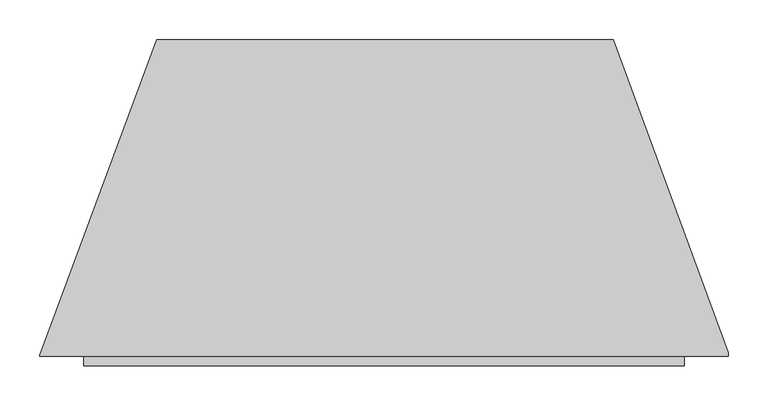
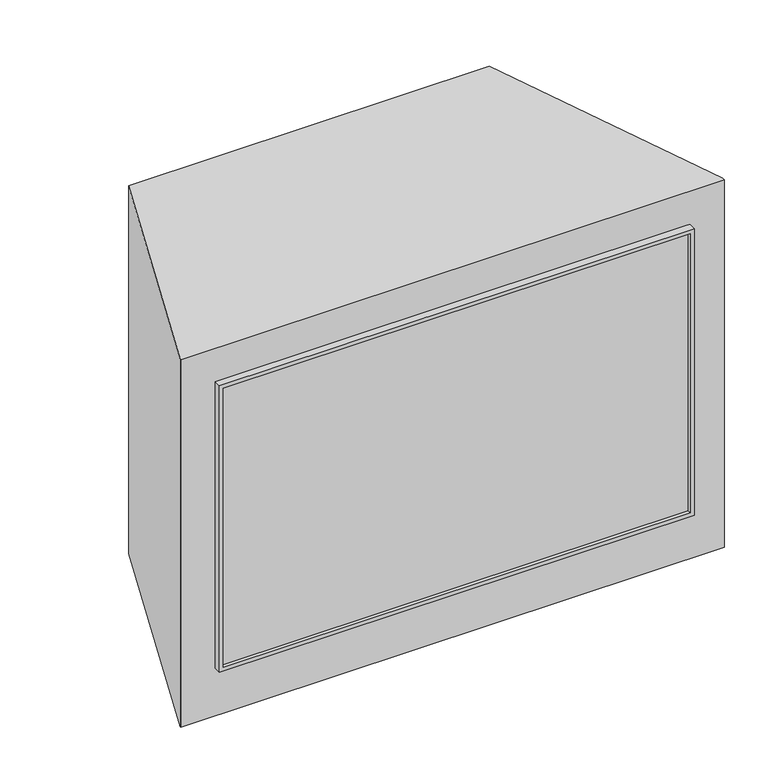
"""IFC4 building model written with IfcOpenShell, lengths in millimetres: proxy geometry."""

import ifcopenshell
import ifcopenshell.guid

model = None  # the IFC model being written
_history = None  # IfcOwnerHistory: only IFC2X3 demands one
_inside = {}  # id of a spatial element -> (the spatial element, [elements in it])
_under = {}  # id of a project, library or spatial element -> (it, [spatial elements below it])
_declared = {}  # id of a project -> (the project, [libraries it declares])
_typed = {}  # id of a type object -> (the type object, [elements of that type])
_made_of = {}  # id of a material, layer set ... -> (it, [elements and type objects made of it])


def new_model(schema):
    """Start an empty IFC model of exactly this schema.

    Asked for "IFC4X3", IfcOpenShell would pick the latest addendum, in which some entities
    have other attributes; the version numbers below select the first issue.
    IFC2X3 requires an IfcOwnerHistory on every rooted entity: one is made here for all.
    """
    global model, _history
    if schema == "IFC4X3":
        model = ifcopenshell.file(schema_version=(4, 3, 0, 0))
    else:
        model = ifcopenshell.file(schema=schema)
    _inside.clear()
    _under.clear()
    _declared.clear()
    _typed.clear()
    _made_of.clear()
    _history = None
    if model.schema == "IFC2X3":
        org = make("IfcOrganization", Name="unknown")
        user = make(
            "IfcPersonAndOrganization",
            ThePerson=make("IfcPerson", FamilyName="unknown"),
            TheOrganization=org,
        )
        app = make(
            "IfcApplication",
            ApplicationDeveloper=org,
            Version="unknown",
            ApplicationFullName="unknown",
            ApplicationIdentifier="unknown",
        )
        _history = make(
            "IfcOwnerHistory",
            OwningUser=user,
            OwningApplication=app,
            ChangeAction="ADDED",
            CreationDate=0,
        )
    return model


def make(cls, **values):
    """One entity of the class cls with the attributes given. An attribute that is None is left unset."""
    return model.create_entity(
        cls, **{name: value for name, value in values.items() if value is not None}
    )


def rooted(cls, **values):
    """An entity with a GlobalId (a new one), such as an element, a storey or a relation."""
    return make(cls, GlobalId=ifcopenshell.guid.new(), OwnerHistory=_history, **values)


def si_unit(unit_type, name, prefix=None):
    """IfcSIUnit, for example si_unit("LENGTHUNIT", "METRE", prefix="MILLI")."""
    return make("IfcSIUnit", UnitType=unit_type, Prefix=prefix, Name=name)


def assignment(units):
    """IfcUnitAssignment: the units of a project."""
    return None if units is None else make("IfcUnitAssignment", Units=units)


def point(xyz):
    """IfcCartesianPoint."""
    return None if xyz is None else make("IfcCartesianPoint", Coordinates=xyz)


def direction(xyz):
    """IfcDirection."""
    return None if xyz is None else make("IfcDirection", DirectionRatios=xyz)


def frame(location, z_axis=None, x_axis=None):
    """IfcAxis2Placement3D, a coordinate frame: its origin and axes. An axis left out is left unset."""
    return make(
        "IfcAxis2Placement3D",
        Location=point(location),
        Axis=direction(z_axis),
        RefDirection=direction(x_axis),
    )


def origin():
    """The frame at (0, 0, 0) with its axes left unset."""
    return frame((0.0, 0.0, 0.0))


def origin_with_axes():
    """The frame at (0, 0, 0) with the z axis (0, 0, 1) and the x axis (1, 0, 0) written out."""
    return frame((0.0, 0.0, 0.0), z_axis=(0.0, 0.0, 1.0), x_axis=(1.0, 0.0, 0.0))


def place(relative_to, where):
    """IfcLocalPlacement: puts the frame where relative to a parent placement (None: the world)."""
    return make(
        "IfcLocalPlacement", PlacementRelTo=relative_to, RelativePlacement=where
    )


def context(
    kind, dimensions, precision=None, world=None, true_north=None, identifier=None
):
    """IfcGeometricRepresentationContext, for example the 3D "Model" context."""
    return make(
        "IfcGeometricRepresentationContext",
        ContextIdentifier=identifier,
        ContextType=kind,
        CoordinateSpaceDimension=dimensions,
        Precision=precision,
        WorldCoordinateSystem=world,
        TrueNorth=true_north,
    )


def project(units=None, contexts=None):
    """IfcProject with its units and contexts."""
    return rooted(
        "IfcProject",
        Name="project",
        RepresentationContexts=contexts,
        UnitsInContext=assignment(units),
    )


def spatial(cls, under=None, at=None, **own):
    """A site, building, storey or space (cls), placed at a placement, below another one or the project."""
    s = rooted(cls, ObjectPlacement=at, **own)
    if under is not None:
        _under.setdefault(under.id(), (under, []))[1].append(s)
    return s


def polyline(points):
    """IfcPolyline through the points."""
    return make("IfcPolyline", Points=[point(p) for p in points])


def outline(outer, holes=None, kind="AREA"):
    """IfcArbitraryClosedProfileDef: a profile drawn as a closed curve; with holes, ...WithVoids."""
    if holes is None:
        return make("IfcArbitraryClosedProfileDef", ProfileType=kind, OuterCurve=outer)
    return make(
        "IfcArbitraryProfileDefWithVoids",
        ProfileType=kind,
        OuterCurve=outer,
        InnerCurves=holes,
    )


def extrude(swept, where, along, depth):
    """IfcExtrudedAreaSolid: the profile swept, set in the frame where, extruded along a direction by depth."""
    return make(
        "IfcExtrudedAreaSolid",
        SweptArea=swept,
        Position=where,
        ExtrudedDirection=direction(along),
        Depth=depth,
    )


def faces_of(points, faces, orient=None, outer=None):
    """IfcFace entities. A face is a list of loops; a loop is a list of indices into points, from 0.

    orient and outer hold one flag for each loop. By default every Orientation is true, the
    first loop of a face is its IfcFaceOuterBound and the others are IfcFaceBound.
    """
    made = []
    for i, loops in enumerate(faces):
        bounds = []
        for j, loop in enumerate(loops):
            is_outer = j == 0 if outer is None else outer[i][j]
            bounds.append(
                make(
                    "IfcFaceOuterBound" if is_outer else "IfcFaceBound",
                    Bound=make("IfcPolyLoop", Polygon=[points[k] for k in loop]),
                    Orientation=True if orient is None else orient[i][j],
                )
            )
        made.append(make("IfcFace", Bounds=bounds))
    return made


def faceted_brep(points, faces, orient=None, outer=None, voids=None):
    """IfcFacetedBrep: a solid bounded by flat faces; with voids (closed shells), ...WithVoids."""
    shared = [point(p) for p in points]
    hull = make("IfcClosedShell", CfsFaces=faces_of(shared, faces, orient, outer))
    if voids is None:
        return make("IfcFacetedBrep", Outer=hull)
    return make(
        "IfcFacetedBrepWithVoids",
        Outer=hull,
        Voids=[
            make(cls, CfsFaces=faces_of(shared, fs, o, b)) for cls, fs, o, b in voids
        ],
    )


def shape(context_of_items, identifier, shape_type, items):
    """IfcShapeRepresentation: the items that make up one representation, for example the "Body"."""
    return make(
        "IfcShapeRepresentation",
        ContextOfItems=context_of_items,
        RepresentationIdentifier=identifier,
        RepresentationType=shape_type,
        Items=items,
    )


def source(mapping_origin, context_of_items, identifier, shape_type, items):
    """IfcRepresentationMap: a shape defined once, which mapped items show again and again."""
    return make(
        "IfcRepresentationMap",
        MappingOrigin=mapping_origin,
        MappedRepresentation=shape(context_of_items, identifier, shape_type, items),
    )


def transform(
    local_origin,
    x_axis=None,
    y_axis=None,
    z_axis=None,
    scale=None,
    scale2=None,
    scale3=None,
    uniform=True,
):
    """IfcCartesianTransformationOperator3D, or its non-uniform kind. x_axis, y_axis, z_axis: its Axis1, 2, 3."""
    if uniform:
        return make(
            "IfcCartesianTransformationOperator3D",
            Axis1=direction(x_axis),
            Axis2=direction(y_axis),
            LocalOrigin=point(local_origin),
            Scale=scale,
            Axis3=direction(z_axis),
        )
    return make(
        "IfcCartesianTransformationOperator3DnonUniform",
        Axis1=direction(x_axis),
        Axis2=direction(y_axis),
        LocalOrigin=point(local_origin),
        Scale=scale,
        Axis3=direction(z_axis),
        Scale2=scale2,
        Scale3=scale3,
    )


def mapped(mapping_source, mapping_target):
    """IfcMappedItem: shows the shape of a source again, moved by a transform."""
    return make(
        "IfcMappedItem", MappingSource=mapping_source, MappingTarget=mapping_target
    )


def made_of(thing, what):
    """Note that an element or type object is made of a material, layer set ...; save() writes the relation."""
    if what is not None:
        _made_of.setdefault(what.id(), (what, []))[1].append(thing)
    return thing


def element(
    cls,
    number,
    at=None,
    inside=None,
    cuts=None,
    type_object=None,
    material=None,
    context=None,
    identifier="Body",
    shape_type=None,
    held_by="IfcProductDefinitionShape",
    body=None,
    shapes=None,
    **own,
):
    """One element of the class cls, such as IfcWall. Its Tag is "e" and its number.

    at: its placement. inside: the storey or other place that contains it. cuts: it is an
    opening in that element (IfcRelVoidsElement). A single representation is given by context,
    identifier, shape_type and body (its items); several are given by shapes. held_by: the class
    of the entity that holds the representations. save() writes the other relations.
    """
    e = rooted(cls, Tag="e%d" % number, ObjectPlacement=at, **own)
    if body is not None:
        shapes = [shape(context, identifier, shape_type, body)]
    if shapes is not None:
        e.Representation = make(held_by, Representations=shapes)
    if inside is not None:
        _inside.setdefault(inside.id(), (inside, []))[1].append(e)
    if cuts is not None:
        rooted(
            "IfcRelVoidsElement", RelatingBuildingElement=cuts, RelatedOpeningElement=e
        )
    if type_object is not None:
        _typed.setdefault(type_object.id(), (type_object, []))[1].append(e)
    return made_of(e, material)


def aggregate(whole, parts):
    """IfcRelAggregates: a whole, such as a stair, and the parts it consists of."""
    return rooted("IfcRelAggregates", RelatingObject=whole, RelatedObjects=parts)


def save(model, path):
    """Write the relations noted so far, then the file.

    IfcRelAggregates (storeys below a building ...), IfcRelContainedInSpatialStructure (elements
    in a storey), IfcRelDefinesByType, IfcRelAssociatesMaterial and IfcRelDeclares: one each for
    every whole, place, type object, material and project.
    """
    for whole, parts in _under.values():
        aggregate(whole, parts)
    for where, things in _inside.values():
        rooted(
            "IfcRelContainedInSpatialStructure",
            RelatedElements=things,
            RelatingStructure=where,
        )
    for kind, things in _typed.values():
        rooted("IfcRelDefinesByType", RelatedObjects=things, RelatingType=kind)
    for what, things in _made_of.values():
        rooted("IfcRelAssociatesMaterial", RelatedObjects=things, RelatingMaterial=what)
    for by, libraries in _declared.values():
        rooted("IfcRelDeclares", RelatingContext=by, RelatedDefinitions=libraries)
    model.write(path)


def generic_models_d30bc401(model_context):
    return source(origin(), model_context, "Body", "SolidModel", [
        faceted_brep([(377.03125, 0.0, 561.4789063), (-377.03125, 0.0, 561.4789063), (-377.03125, -11.9269933, 561.4789063), (377.03125, -11.9269933, 561.4789063), (377.03125, 0.0, 80.4664063), (377.03125, -11.9269933, 80.4664063), (-377.03125, -11.9269933, 80.4664063), (-377.03125, 0.0, 80.4664063), (-370.68125, -11.9269933, 555.1289063), (370.68125, -11.9269933, 555.1289063), (370.68125, -11.9269933, 86.8164063), (-370.68125, -11.9269933, 86.8164063), (370.68125, -6.1953115, 555.1289063), (-370.68125, -6.1953115, 555.1289063), (-370.68125, -6.1953115, 86.8164063), (370.68125, -6.1953115, 86.8164063)], [[[0, 1, 2, 3]], [[4, 5, 6, 7]], [[1, 0, 4, 7]], [[2, 1, 7, 6]], [[3, 2, 6, 5], [8, 9, 10, 11]], [[0, 3, 5, 4]], [[12, 13, 14, 15]], [[13, 12, 9, 8]], [[14, 13, 8, 11]], [[15, 14, 11, 10]], [[12, 15, 10, 9]]]),
        extrude(outline(polyline([(431.8, 0.0), (-431.8, 0.0), (-431.8, 1.12014), (-285.3502524, 396.875), (287.6129071, 396.875), (431.8, 4.2441313), (431.8, 0.0)])), origin_with_axes(), (0.0, 0.0, 1.0), 617.5375),
    ])


if __name__ == "__main__":
    model = new_model("IFC4")
    model_context = context("Model", 3, world=origin())
    ifc_project = project(units=[si_unit("LENGTHUNIT", "METRE", prefix="MILLI")], contexts=[model_context])
    site = spatial("IfcSite", under=ifc_project)
    building = spatial("IfcBuilding", under=site)
    placement = place(None, origin())
    generic_models_shape = generic_models_d30bc401(model_context)
    element("IfcBuildingElementProxy", 1, Name="Generic Models", at=placement, inside=building, context=model_context, shape_type="MappedRepresentation", body=[
        mapped(generic_models_shape, transform((0.0, 0.0, 0.0), x_axis=(1.0, 0.0, 0.0), y_axis=(0.0, 1.0, 0.0), z_axis=(0.0, 0.0, 1.0))),
    ])
    save(model, "model.ifc")
